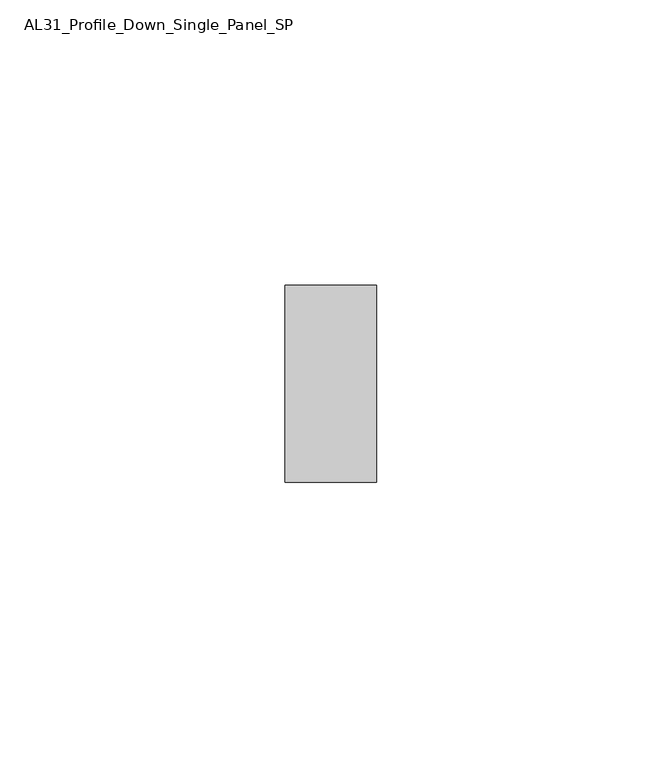
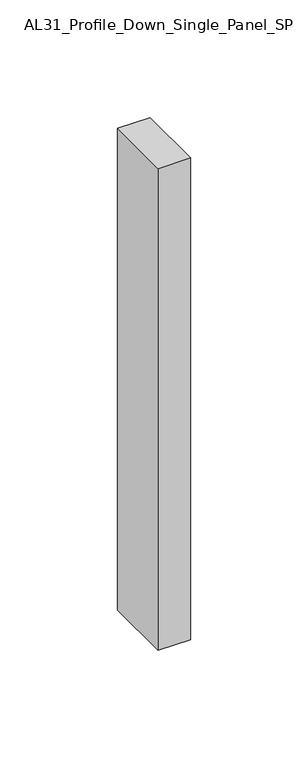
"""IFC4 building model written with IfcOpenShell, lengths in millimetres: member geometry, AL31_Profile_Down_Single_Panel_SP."""

from ifc_helpers import new_model, si_unit, frame, origin, place, context, project, spatial, polyline, outline, extrude, source, transform, mapped, element, save


def al31_profile_down_single_panel_sp_92f7db99(model_context):
    return source(origin(), model_context, "Body", "SweptSolid", [
        extrude(outline(polyline([(0.0, -17.25), (-16.0, -17.25), (-16.0, 17.25), (0.0, 17.25), (0.0, -17.25)])), frame((0.0, 0.0, -250.0), z_axis=(0.0, 0.0, 1.0), x_axis=(1.0, 0.0, 0.0)), (0.0, 0.0, 1.0), 250.0),
    ])


if __name__ == "__main__":
    model = new_model("IFC4")
    model_context = context("Model", 3, world=origin())
    ifc_project = project(units=[si_unit("LENGTHUNIT", "METRE", prefix="MILLI")], contexts=[model_context])
    site = spatial("IfcSite", under=ifc_project)
    building = spatial("IfcBuilding", under=site)
    placement = place(None, origin())
    al31_profile_down_single_panel_sp_shape = al31_profile_down_single_panel_sp_92f7db99(model_context)
    element("IfcMember", 1, ObjectType="AL31_Profile_Down_Single_Panel_SP", at=placement, inside=building, context=model_context, shape_type="MappedRepresentation", body=[
        mapped(al31_profile_down_single_panel_sp_shape, transform((0.0, 0.0, 0.0), x_axis=(1.0, 0.0, 0.0), y_axis=(0.0, 1.0, 0.0), z_axis=(0.0, 0.0, 1.0))),
    ])
    save(model, "model.ifc")
